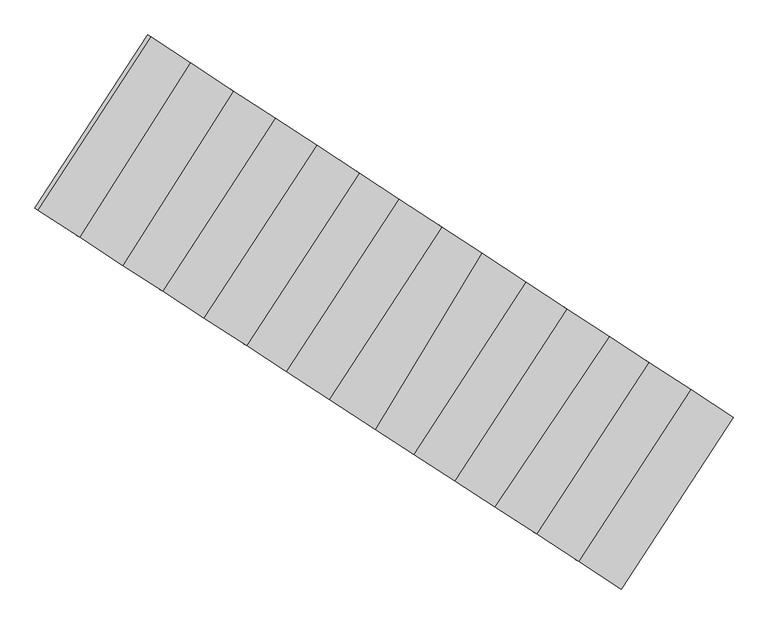
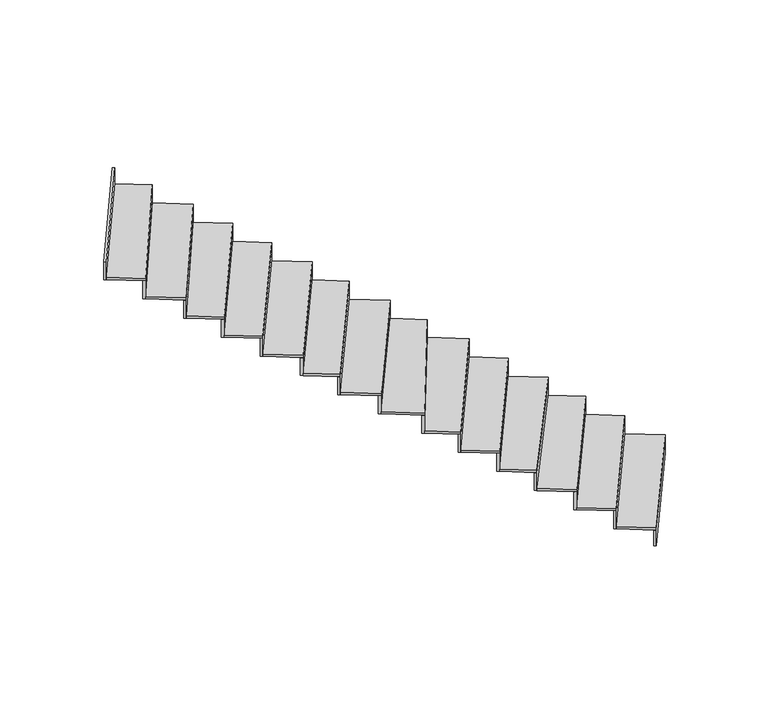
"""IFC4 building model written with IfcOpenShell, lengths in millimetres: stair flight geometry."""

from ifc_helpers import new_model, si_unit, frame, origin, place, context, project, spatial, polyline, outline, extrude, source, transform, mapped, element, save


def stair_flight_8b2b90d3(model_context):
    return source(origin(), model_context, "Body", "SweptSolid", [
        extrude(outline(polyline([(-85721.6077287, 7209.5178727), (-85704.8668221, 7198.5750738), (-86358.1598424, 6193.3294008), (-86374.929604, 6204.2277996), (-85721.6077287, 7209.5178727)])), frame((0.0, 0.0, -2416.5), z_axis=(0.0, 0.0, 1.0), x_axis=(1.0, 0.0, 0.0)), (0.0, 0.0, 1.0), 142.1864079),
        extrude(outline(polyline([(-86607.1695776, 6355.1568291), (-85953.4480981, 7361.0617878), (-85704.8668221, 7198.5750738), (-86358.1598424, 6193.3294008), (-86607.1695776, 6355.1568291)])), frame((0.0, 0.0, -2274.3135921), z_axis=(0.0, 0.0, 1.0), x_axis=(1.0, 0.0, 0.0)), (0.0, 0.0, 1.0), 20.0),
        extrude(outline(polyline([(-85970.1890048, 7372.0045867), (-85953.4480981, 7361.0617878), (-86607.1695776, 6355.1568291), (-86623.9393392, 6366.0552278), (-85970.1890048, 7372.0045867)])), frame((0.0, 0.0, -2274.3135921), z_axis=(0.0, 0.0, 1.0), x_axis=(1.0, 0.0, 0.0)), (0.0, 0.0, 1.0), 162.1864079),
        extrude(outline(polyline([(-86854.0315476, 6515.5884592), (-86197.2249136, 7520.4080359), (-85953.4480981, 7361.0617878), (-86607.1695776, 6355.1568291), (-86854.0315476, 6515.5884592)])), frame((0.0, 0.0, -2112.1271841), z_axis=(0.0, 0.0, 1.0), x_axis=(1.0, 0.0, 0.0)), (0.0, 0.0, 1.0), 20.0),
        extrude(outline(polyline([(-86213.9657616, 7531.3507965), (-86197.2249136, 7520.4080359), (-86854.0315476, 6515.5884592), (-86870.801368, 6526.4868961), (-86213.9657616, 7531.3507965)])), frame((0.0, 0.0, -2112.1271841), z_axis=(0.0, 0.0, 1.0), x_axis=(1.0, 0.0, 0.0)), (0.0, 0.0, 1.0), 162.1864079),
        extrude(outline(polyline([(-87099.9455298, 6675.4040072), (-86428.63706, 7671.6720404), (-86197.2249136, 7520.4080359), (-86854.0315476, 6515.5884592), (-87099.9455298, 6675.4040072)])), frame((0.0, 0.0, -1949.9407762), z_axis=(0.0, 0.0, 1.0), x_axis=(1.0, 0.0, 0.0)), (0.0, 0.0, 1.0), 20.0),
        extrude(outline(polyline([(-86445.3795486, 7682.6158733), (-86428.63706, 7671.6720404), (-87099.9455298, 6675.4040072), (-87116.7176153, 6686.3039163), (-86445.3795486, 7682.6158733)])), frame((0.0, 0.0, -1949.9407762), z_axis=(0.0, 0.0, 1.0), x_axis=(1.0, 0.0, 0.0)), (0.0, 0.0, 1.0), 162.1864079),
        extrude(outline(polyline([(-87331.444359, 6825.8513788), (-86676.4766543, 7833.6739494), (-86428.63706, 7671.6720404), (-87099.9455298, 6675.4040072), (-87331.444359, 6825.8513788)])), frame((0.0, 0.0, -1787.7543683), z_axis=(0.0, 0.0, 1.0), x_axis=(1.0, 0.0, 0.0)), (0.0, 0.0, 1.0), 20.0),
        extrude(outline(polyline([(-86693.217561, 7844.6167483), (-86676.4766543, 7833.6739494), (-87331.444359, 6825.8513788), (-87348.2141206, 6836.7497776), (-86693.217561, 7844.6167483)])), frame((0.0, 0.0, -1787.7543683), z_axis=(0.0, 0.0, 1.0), x_axis=(1.0, 0.0, 0.0)), (0.0, 0.0, 1.0), 162.1864079),
        extrude(outline(polyline([(-87572.1359785, 6982.2729973), (-86916.7541272, 7990.7328303), (-86676.4766543, 7833.6739494), (-87331.444359, 6825.8513788), (-87572.1359785, 6982.2729973)])), frame((0.0, 0.0, -1625.5679604), z_axis=(0.0, 0.0, 1.0), x_axis=(1.0, 0.0, 0.0)), (0.0, 0.0, 1.0), 20.0),
        extrude(outline(polyline([(-86933.4950338, 8001.6756292), (-86916.7541272, 7990.7328303), (-87572.1359785, 6982.2729973), (-87588.9057401, 6993.171396), (-86933.4950338, 8001.6756292)])), frame((0.0, 0.0, -1625.5679604), z_axis=(0.0, 0.0, 1.0), x_axis=(1.0, 0.0, 0.0)), (0.0, 0.0, 1.0), 162.1864079),
        extrude(outline(polyline([(-87796.3202623, 7127.9667633), (-87176.0701156, 8160.2363565), (-86916.7541272, 7990.7328303), (-87572.1359785, 6982.2729973), (-87796.3202623, 7127.9667633)])), frame((0.0, 0.0, -1463.3815524), z_axis=(0.0, 0.0, 1.0), x_axis=(1.0, 0.0, 0.0)), (0.0, 0.0, 1.0), 20.0),
        extrude(outline(polyline([(-87192.8229873, 8171.1869764), (-87176.0701156, 8160.2363565), (-87796.3202623, 7127.9667633), (-87813.1004431, 7138.8719333), (-87192.8229873, 8171.1869764)])), frame((0.0, 0.0, -1463.3815524), z_axis=(0.0, 0.0, 1.0), x_axis=(1.0, 0.0, 0.0)), (0.0, 0.0, 1.0), 162.1864079),
        extrude(outline(polyline([(-88066.761006, 7303.7218598), (-87407.8591996, 8311.7467486), (-87176.0701156, 8160.2363565), (-87796.3202623, 7127.9667633), (-88066.761006, 7303.7218598)])), frame((0.0, 0.0, -1301.1951445), z_axis=(0.0, 0.0, 1.0), x_axis=(1.0, 0.0, 0.0)), (0.0, 0.0, 1.0), 20.0),
        extrude(outline(polyline([(-87424.6000476, 8322.6895092), (-87407.8591996, 8311.7467486), (-88066.761006, 7303.7218598), (-88083.5308264, 7314.6202967), (-87424.6000476, 8322.6895092)])), frame((0.0, 0.0, -1301.1951445), z_axis=(0.0, 0.0, 1.0), x_axis=(1.0, 0.0, 0.0)), (0.0, 0.0, 1.0), 162.1864079),
        extrude(outline(polyline([(-88319.0152735, 7467.6578575), (-87659.67766, 8476.3494685), (-87407.8591996, 8311.7467486), (-88066.761006, 7303.7218598), (-88319.0152735, 7467.6578575)])), frame((0.0, 0.0, -1139.0087366), z_axis=(0.0, 0.0, 1.0), x_axis=(1.0, 0.0, 0.0)), (0.0, 0.0, 1.0), 20.0),
        extrude(outline(polyline([(-87676.418508, 8487.2922291), (-87659.67766, 8476.3494685), (-88319.0152735, 7467.6578575), (-88335.7850939, 7478.5562944), (-87676.418508, 8487.2922291)])), frame((0.0, 0.0, -1139.0087366), z_axis=(0.0, 0.0, 1.0), x_axis=(1.0, 0.0, 0.0)), (0.0, 0.0, 1.0), 162.1864079),
        extrude(outline(polyline([(-88549.9697754, 7617.7514795), (-87890.2331533, 8627.0535162), (-87659.67766, 8476.3494685), (-88319.0152735, 7467.6578575), (-88549.9697754, 7617.7514795)])), frame((0.0, 0.0, -976.8223286), z_axis=(0.0, 0.0, 1.0), x_axis=(1.0, 0.0, 0.0)), (0.0, 0.0, 1.0), 20.0),
        extrude(outline(polyline([(-87906.9740013, 8637.9962768), (-87890.2331533, 8627.0535162), (-88549.9697754, 7617.7514795), (-88566.7395958, 7628.6499165), (-87906.9740013, 8637.9962768)])), frame((0.0, 0.0, -976.8223286), z_axis=(0.0, 0.0, 1.0), x_axis=(1.0, 0.0, 0.0)), (0.0, 0.0, 1.0), 162.1864079),
        extrude(outline(polyline([(-88799.9035383, 7780.1794185), (-88139.735118, 8790.1420442), (-87890.2331533, 8627.0535162), (-88549.9697754, 7617.7514795), (-88799.9035383, 7780.1794185)])), frame((0.0, 0.0, -814.6359207), z_axis=(0.0, 0.0, 1.0), x_axis=(1.0, 0.0, 0.0)), (0.0, 0.0, 1.0), 20.0),
        extrude(outline(polyline([(-88156.475966, 8801.0848047), (-88139.735118, 8790.1420442), (-88799.9035383, 7780.1794185), (-88816.6733587, 7791.0778554), (-88156.475966, 8801.0848047)])), frame((0.0, 0.0, -814.6359207), z_axis=(0.0, 0.0, 1.0), x_axis=(1.0, 0.0, 0.0)), (0.0, 0.0, 1.0), 162.1864079),
        extrude(outline(polyline([(-89040.0803728, 7936.2664864), (-88382.1726994, 8948.6128935), (-88139.735118, 8790.1420442), (-88799.9035383, 7780.1794185), (-89040.0803728, 7936.2664864)])), frame((0.0, 0.0, -652.4495128), z_axis=(0.0, 0.0, 1.0), x_axis=(1.0, 0.0, 0.0)), (0.0, 0.0, 1.0), 20.0),
        extrude(outline(polyline([(-88398.9136061, 8959.5556924), (-88382.1726994, 8948.6128935), (-89040.0803728, 7936.2664864), (-89056.8501344, 7947.1648852), (-88398.9136061, 8959.5556924)])), frame((0.0, 0.0, -652.4495128), z_axis=(0.0, 0.0, 1.0), x_axis=(1.0, 0.0, 0.0)), (0.0, 0.0, 1.0), 162.1864079),
        extrude(outline(polyline([(-89273.3587924, 8087.8703852), (-88626.6169264, 9108.3953994), (-88382.1726994, 8948.6128935), (-89040.0803728, 7936.2664864), (-89273.3587924, 8087.8703852)])), frame((0.0, 0.0, -490.2631049), z_axis=(0.0, 0.0, 1.0), x_axis=(1.0, 0.0, 0.0)), (0.0, 0.0, 1.0), 20.0),
        extrude(outline(polyline([(-88643.3594352, 9119.3392456), (-88626.6169264, 9108.3953994), (-89273.3587924, 8087.8703852), (-89290.1296511, 8098.769497), (-88643.3594352, 9119.3392456)])), frame((0.0, 0.0, -490.2631049), z_axis=(0.0, 0.0, 1.0), x_axis=(1.0, 0.0, 0.0)), (0.0, 0.0, 1.0), 162.1864079),
        extrude(outline(polyline([(-89526.508235, 8252.3881428), (-88879.3384403, 9273.5884059), (-88626.6169264, 9108.3953994), (-89273.3587924, 8087.8703852), (-89526.508235, 8252.3881428)])), frame((0.0, 0.0, -328.0766969), z_axis=(0.0, 0.0, 1.0), x_axis=(1.0, 0.0, 0.0)), (0.0, 0.0, 1.0), 20.0),
        extrude(outline(polyline([(-88896.0809492, 9284.5322521), (-88879.3384403, 9273.5884059), (-89526.508235, 8252.3881428), (-89543.2790936, 8263.2872545), (-88896.0809492, 9284.5322521)])), frame((0.0, 0.0, -328.0766969), z_axis=(0.0, 0.0, 1.0), x_axis=(1.0, 0.0, 0.0)), (0.0, 0.0, 1.0), 162.1864079),
        extrude(outline(polyline([(-89128.3822364, 9436.3774491), (-89111.6413298, 9425.4346502), (-89770.8063286, 8411.1535508), (-89787.5760902, 8422.0519496), (-89128.3822364, 9436.3774491)])), frame((0.0, 0.0, -165.890289), z_axis=(0.0, 0.0, 1.0), x_axis=(1.0, 0.0, 0.0)), (0.0, 0.0, 1.0), 162.1864079),
        extrude(outline(polyline([(-89770.8063286, 8411.1535508), (-89111.6413298, 9425.4346502), (-88879.3384403, 9273.5884059), (-89526.508235, 8252.3881428), (-89770.8063286, 8411.1535508)])), frame((0.0, 0.0, -165.890289), z_axis=(0.0, 0.0, 1.0), x_axis=(1.0, 0.0, 0.0)), (0.0, 0.0, 1.0), 20.0),
    ])


if __name__ == "__main__":
    model = new_model("IFC4")
    model_context = context("Model", 3, world=origin())
    ifc_project = project(units=[si_unit("LENGTHUNIT", "METRE", prefix="MILLI")], contexts=[model_context])
    site = spatial("IfcSite", under=ifc_project)
    building = spatial("IfcBuilding", under=site)
    placement = place(None, origin())
    stair_flight_shape = stair_flight_8b2b90d3(model_context)
    element("IfcStairFlight", 1, at=placement, inside=building, context=model_context, shape_type="MappedRepresentation", body=[
        mapped(stair_flight_shape, transform((0.0, 0.0, 0.0), x_axis=(1.0, 0.0, 0.0), y_axis=(0.0, 1.0, 0.0), z_axis=(0.0, 0.0, 1.0))),
    ])
    save(model, "model.ifc")
